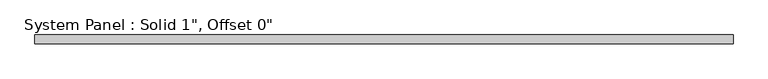
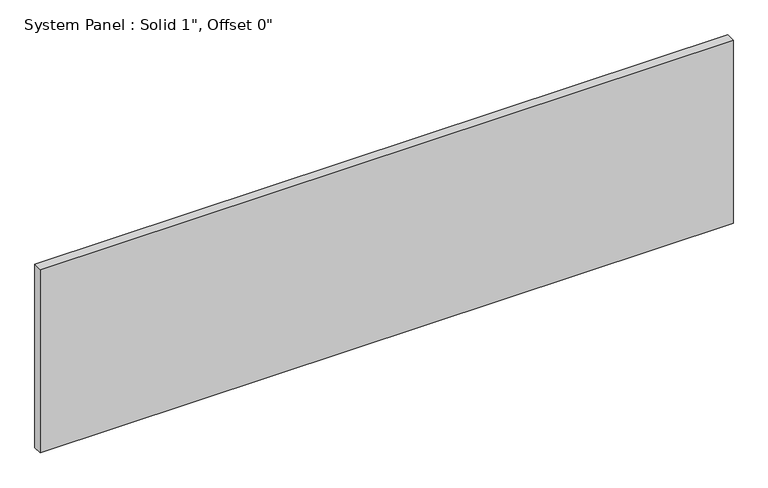
"""IFC4 building model written with IfcOpenShell, lengths in millimetres: plate geometry."""

from ifc_helpers import new_model, si_unit, origin, origin_with_axes, place, context, project, spatial, polyline, outline, extrude, source, transform, mapped, element, save


def plate_6815dcdf(model_context):
    return source(origin(), model_context, "Body", "SweptSolid", [
        extrude(outline(polyline([(976.1660647, -12.7), (-976.1660647, -12.7), (-976.1660647, 12.7), (976.1660647, 12.7), (976.1660647, -12.7)])), origin_with_axes(), (0.0, 0.0, 1.0), 545.4554088),
    ])


if __name__ == "__main__":
    model = new_model("IFC4")
    model_context = context("Model", 3, world=origin())
    ifc_project = project(units=[si_unit("LENGTHUNIT", "METRE", prefix="MILLI")], contexts=[model_context])
    site = spatial("IfcSite", under=ifc_project)
    building = spatial("IfcBuilding", under=site)
    placement = place(None, origin())
    plate_shape = plate_6815dcdf(model_context)
    element("IfcPlate", 1, ObjectType="System Panel : Solid 1\", Offset 0\"", at=placement, inside=building, context=model_context, shape_type="MappedRepresentation", body=[
        mapped(plate_shape, transform((0.0, 0.0, 0.0), x_axis=(1.0, 0.0, 0.0), y_axis=(0.0, 1.0, 0.0), z_axis=(0.0, 0.0, 1.0))),
    ])
    save(model, "model.ifc")
